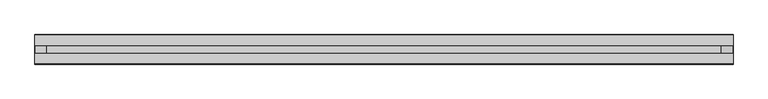
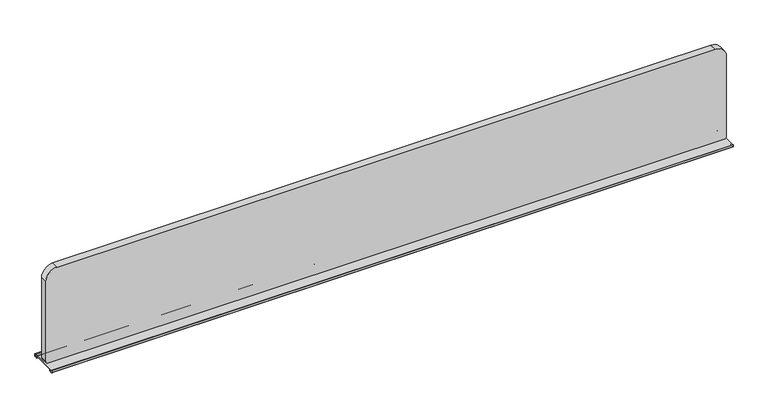
"""IFC4 building model written with IfcOpenShell, lengths in millimetres: furniture geometry."""

from ifc_helpers import new_model, si_unit, point, frame, frame_2d, origin, place, context, project, spatial, polyline, circle_curve, trimmed, segment, composite_curve, outline, extrude, source, transform, mapped, element, save


def furniture_ec202274(model_context):
    return source(origin(), model_context, "Body", "SweptSolid", [
        extrude(outline(composite_curve([segment(polyline([(-77.3248656, 1041.4), (-0.9651945, 1041.4)]), True, "CONTINUOUS"), segment(trimmed(circle_curve(frame_2d((-0.9651945, 1040.8412)), 0.5588), [point((-0.9651945, 1041.4))], [point((-0.4063945, 1040.8412))], False, "CARTESIAN"), True, "CONTINUOUS"), segment(polyline([(-0.4063945, 1040.8412), (-0.4063945, 1035.1007997)]), True, "CONTINUOUS"), segment(trimmed(circle_curve(frame_2d((-0.9651945, 1035.1007997)), 0.5588), [point((-0.4063945, 1035.1007997))], [point((-0.9651945, 1034.5419997))], False, "CARTESIAN"), True, "CONTINUOUS"), segment(polyline([(-0.9651945, 1034.5419997), (-8.9788947, 1034.5419997), (-9.8037836, 1035.0182498), (-9.8037836, 1035.9707495), (-8.9788947, 1036.4469996), (-2.9463945, 1036.4469996), (-2.3113945, 1037.0819996), (-2.3113945, 1038.8600002), (-2.9463945, 1039.4949995), (-6.1588346, 1039.4949995), (-6.7546755, 1038.8991587)]), True, "CONTINUOUS"), segment(trimmed(circle_curve(frame_2d((-7.3896772, 1038.8991587)), 0.6350017), [point((-6.7546755, 1038.8991587))], [point((-8.0246788, 1038.8991587))], False, "CARTESIAN"), True, "CONTINUOUS"), segment(polyline([(-8.0246788, 1038.8991587), (-8.6205197, 1039.4949995), (-69.6325191, 1039.4949995), (-70.22836, 1038.8991587)]), True, "CONTINUOUS"), segment(trimmed(circle_curve(frame_2d((-70.8633616, 1038.8991587)), 0.6350017), [point((-70.22836, 1038.8991587))], [point((-71.4983633, 1038.8991587))], False, "CARTESIAN"), True, "CONTINUOUS"), segment(polyline([(-71.4983633, 1038.8991587), (-72.0942042, 1039.4949995), (-75.3363967, 1039.4949995), (-75.9713961, 1038.8600002), (-75.9713961, 1037.0819996), (-75.3363967, 1036.4469996), (-69.3038933, 1036.4469996), (-68.4790073, 1035.9707495), (-68.4790073, 1035.0182498), (-69.3038933, 1034.5419997), (-77.3175988, 1034.5419997)]), True, "CONTINUOUS"), segment(trimmed(circle_curve(frame_2d((-77.3175988, 1035.1007997)), 0.5588), [point((-77.3175988, 1034.5419997))], [point((-77.8763988, 1035.1007997))], False, "CARTESIAN"), True, "CONTINUOUS"), segment(polyline([(-77.8763988, 1035.1007997), (-77.8763988, 1040.8484668)]), True, "CONTINUOUS"), segment(trimmed(circle_curve(frame_2d((-77.3248656, 1040.8484668)), 0.5515332), [point((-77.8763988, 1040.8484668))], [point((-77.3248656, 1041.4))], False, "CARTESIAN"), True, "CONTINUOUS")], self_intersect=False)), frame((0.0, 0.0, 0.0), z_axis=(1.0, 0.0, 0.0), x_axis=(0.0, 1.0, 0.0)), (0.0, 0.0, 1.0), 1828.8),
        extrude(outline(composite_curve([segment(trimmed(circle_curve(frame_2d((1047.75, 7.874)), 6.35), [point((1047.75, 1.524))], [point((1041.4, 7.874))], False, "CARTESIAN"), True, "CONTINUOUS"), segment(polyline([(1041.4, 7.874), (1041.4, 1820.926)]), True, "CONTINUOUS"), segment(trimmed(circle_curve(frame_2d((1047.75, 1820.926)), 6.35), [point((1041.4, 1820.926))], [point((1047.75, 1827.276))], False, "CARTESIAN"), True, "CONTINUOUS"), segment(polyline([(1047.75, 1827.276), (1275.7658, 1827.276)]), True, "CONTINUOUS"), segment(trimmed(circle_curve(frame_2d((1275.7658, 1797.304)), 29.972), [point((1275.7658, 1827.276))], [point((1305.7378, 1797.304))], False, "CARTESIAN"), True, "CONTINUOUS"), segment(polyline([(1305.7378, 1797.304), (1305.7378, 31.496)]), True, "CONTINUOUS"), segment(trimmed(circle_curve(frame_2d((1275.7658, 31.496)), 29.972), [point((1305.7378, 31.496))], [point((1275.7658, 1.524))], False, "CARTESIAN"), True, "CONTINUOUS"), segment(polyline([(1275.7658, 1.524), (1047.75, 1.524)]), True, "CONTINUOUS")], self_intersect=False)), frame((0.0, -48.6664, 0.0), z_axis=(0.0, 1.0, 0.0), x_axis=(0.0, 0.0, 1.0)), (0.0, 0.0, 1.0), 19.05),
    ])


if __name__ == "__main__":
    model = new_model("IFC4")
    model_context = context("Model", 3, world=origin())
    ifc_project = project(units=[si_unit("LENGTHUNIT", "METRE", prefix="MILLI")], contexts=[model_context])
    site = spatial("IfcSite", under=ifc_project)
    building = spatial("IfcBuilding", under=site)
    placement = place(None, origin())
    furniture_shape = furniture_ec202274(model_context)
    element("IfcFurniture", 1, at=placement, inside=building, context=model_context, shape_type="MappedRepresentation", body=[
        mapped(furniture_shape, transform((0.0, 0.0, 0.0), x_axis=(1.0, 0.0, 0.0), y_axis=(0.0, 1.0, 0.0), z_axis=(0.0, 0.0, 1.0))),
    ])
    save(model, "model.ifc")
